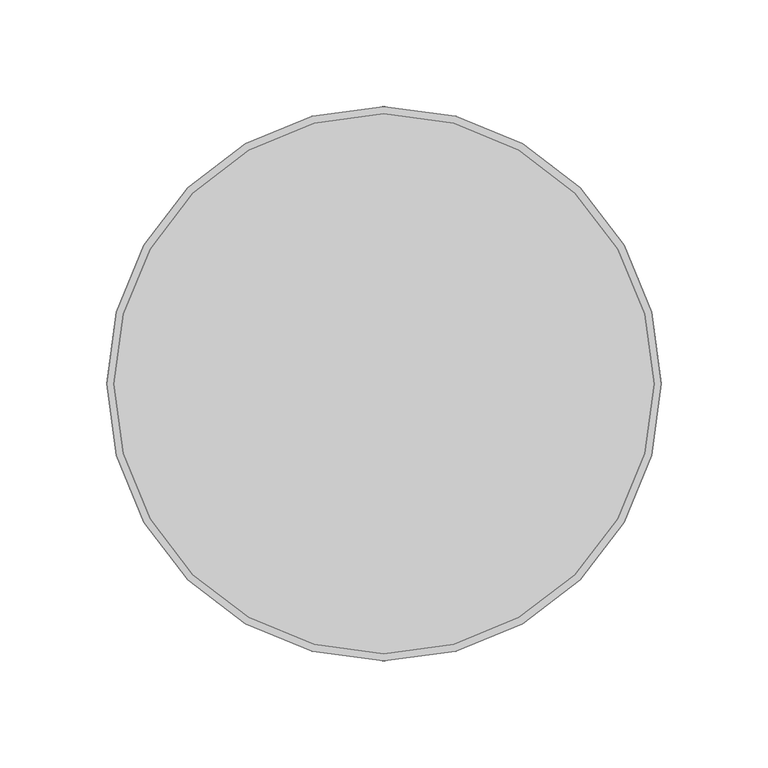
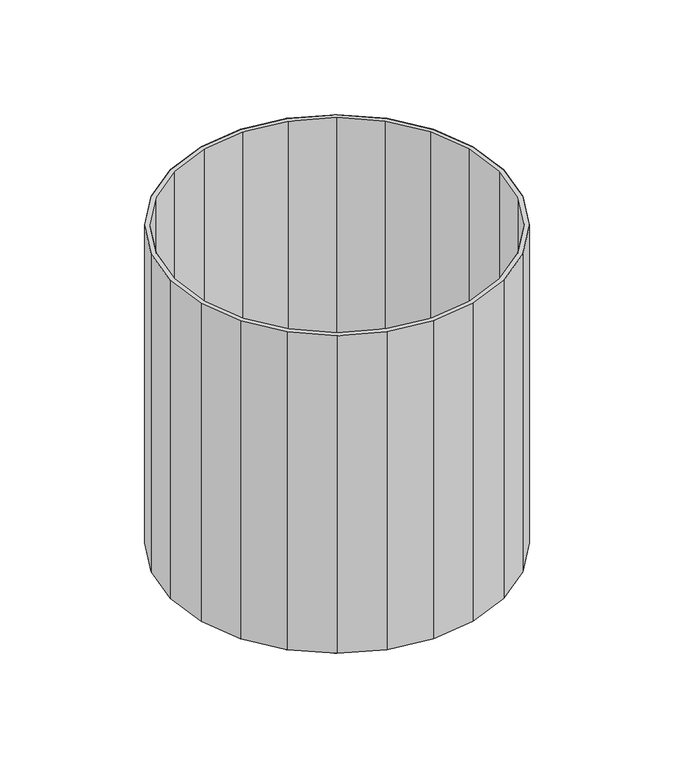
"""IFC4 building model written with IfcOpenShell, lengths in millimetres: furniture geometry."""

from ifc_helpers import new_model, si_unit, origin, place, context, project, spatial, triangles, source, transform, mapped, element, save


def furniture_6e221a47(model_context):
    return source(origin(), model_context, "Body", "Tessellation", [
        triangles([(130.0000137, 2.27e-05, 1.9476282), (125.5704331, 33.6464973, 1.9476282), (125.5704331, 33.6464973, 263.8991535), (130.0000137, 2.27e-05, 263.8991535), (112.5832262, 65.0000205, 1.9476282), (112.5832262, 65.0000205, 263.8991535), (91.9238313, 91.923904, 1.9476282), (91.9238313, 91.923904, 263.8991535), (64.9998842, 112.583317, 1.9476282), (64.9998842, 112.583317, 263.8991535), (33.6463747, 125.5703604, 1.9476282), (33.6463747, 125.5703604, 263.8991535), (-2.27e-05, 129.9999955, 1.9476282), (-2.27e-05, 129.9999955, 263.8991535), (-33.6464201, 125.5703604, 1.9476282), (-33.6464201, 125.5703604, 263.8991535), (-64.9999296, 112.5832988, 1.9476282), (-64.9999296, 112.5832988, 263.8991535), (-91.9238585, 91.9238949, 1.9476282), (-91.9238585, 91.9238949, 263.8991535), (-112.5832534, 65.0000069, 1.9476282), (-112.5832534, 65.0000069, 263.8991535), (-125.5704331, 33.6464973, 1.9476282), (-125.5704331, 33.6464973, 263.8991535), (-130.0000137, 2.79e-05, 1.9476282), (-130.0000137, 2.79e-05, 263.8991535), (-125.5704331, -33.6464451, 1.9476282), (-125.5704331, -33.6464451, 263.8991535), (-112.5832262, -64.999966, 1.9476282), (-112.5832262, -64.999966, 263.8991535), (-91.9238313, -91.9238495, 1.9476282), (-91.9238313, -91.9238495, 263.8991535), (-65.0000795, -112.5832807, 1.9476282), (-65.0000795, -112.5832807, 263.8991535), (-33.6465677, -125.5703422, 1.9476282), (-33.6465677, -125.5703422, 263.8991535), (2.27e-05, -129.9999955, 1.9476282), (2.27e-05, -129.9999955, 263.8991535), (33.6464201, -125.5703695, 1.9476282), (33.6464201, -125.5703695, 263.8991535), (64.9999296, -112.5833261, 1.9476282), (64.9999296, -112.5833261, 263.8991535), (91.9238585, -91.9239312, 1.9476282), (91.9238585, -91.9239312, 263.8991535), (112.5832534, -65.0000568, 1.9476282), (112.5832534, -65.0000568, 263.8991535), (125.5704331, -33.6465473, 1.9476282), (125.5704331, -33.6465473, 263.8991535), (122.2962052, 32.7691958, 263.8991535), (126.6102951, 2.27e-05, 263.8991535), (109.6477585, 63.3051975, 263.8991535), (89.5270753, 89.5270572, 263.8991535), (63.3052202, 109.6477767, 263.8991535), (32.7691026, 122.2962143, 263.8991535), (-2.21e-05, 126.6103496, 263.8991535), (-32.7691481, 122.2962052, 263.8991535), (-63.3052656, 109.6477767, 263.8991535), (-89.5271117, 89.5270481, 263.8991535), (-109.6477767, 63.3051839, 263.8991535), (-122.2962234, 32.7691889, 263.8991535), (-126.6102951, 2.73e-05, 263.8991535), (-122.2962052, -32.769139, 263.8991535), (-109.6477585, -63.3051476, 263.8991535), (-89.5270753, -89.5270027, 263.8991535), (-63.3052202, -109.6477585, 263.8991535), (-32.7691026, -122.2961962, 263.8991535), (2.21e-05, -126.6103496, 263.8991535), (32.7691481, -122.2962234, 263.8991535), (63.3050703, -109.647804, 263.8991535), (89.5269118, -89.5270844, 263.8991535), (109.6477767, -63.3052293, 263.8991535), (122.2962234, -32.7692366, 263.8991535), (122.2962052, 32.7692026, 34.9458934), (126.6102951, 3.27e-05, 34.9458934), (109.6477585, 63.3052066, 34.9458934), (89.5270753, 89.5270572, 34.9458934), (63.3052202, 109.6477949, 34.9458934), (32.7691026, 122.2962234, 34.9458934), (-2.21e-05, 126.6103496, 34.9458934), (-32.7691481, 122.2962234, 34.9458934), (-63.3052656, 109.6477949, 34.9458934), (-89.5271117, 89.5270572, 34.9458934), (-109.6477767, 63.305193, 34.9458934), (-122.2962234, 32.7691958, 34.9458934), (-126.6102951, 3.73e-05, 34.9458934), (-122.2962052, -32.7691322, 34.9458934), (-109.6477585, -63.3051385, 34.9458934), (-89.5270753, -89.5269936, 34.9458934), (-63.3052202, -109.6477404, 34.9458934), (-32.7691026, -122.2961962, 34.9458934), (2.21e-05, -126.6103405, 34.9458934), (32.7691481, -122.2962052, 34.9458934), (63.3050703, -109.6477949, 34.9458934), (89.5269118, -89.5270753, 34.9458934), (109.6477767, -63.3052202, 34.9458934), (122.2962234, -32.7692321, 34.9458934), (126.6102951, 2.27e-05, 1.9476282), (122.2962052, 32.7691958, 1.9476282), (122.2962234, -32.7692366, 1.9476282), (109.6477767, -63.3052293, 1.9476282), (89.5269118, -89.5270844, 1.9476282), (63.3050703, -109.647804, 1.9476282), (32.7691481, -122.2962234, 1.9476282), (2.21e-05, -126.6103496, 1.9476282), (-32.7691026, -122.2961962, 1.9476282), (-63.3052202, -109.6477585, 1.9476282), (-89.5270753, -89.5270027, 1.9476282), (-109.6477585, -63.3051476, 1.9476282), (-122.2962052, -32.769139, 1.9476282), (-126.6102951, 2.73e-05, 1.9476282), (-122.2962234, 32.7691889, 1.9476282), (-109.6477767, 63.3051839, 1.9476282), (-89.5271117, 89.5270481, 1.9476282), (-63.3052656, 109.6477767, 1.9476282), (-32.7691481, 122.2962052, 1.9476282), (-2.21e-05, 126.6103496, 1.9476282), (32.7691026, 122.2962143, 1.9476282), (63.3052202, 109.6477767, 1.9476282), (89.5270753, 89.5270572, 1.9476282), (109.6477585, 63.3051975, 1.9476282), (126.6102951, 2.27e-05, 25.8692535), (122.2962052, 32.7691958, 25.8692535), (122.2962234, -32.7692366, 25.8692535), (109.6477767, -63.3052293, 25.8692535), (89.5269118, -89.5270844, 25.8692535), (63.3050703, -109.647804, 25.8692535), (32.7691481, -122.2962234, 25.8692535), (2.21e-05, -126.6103496, 25.8692535), (-32.7691026, -122.2961962, 25.8692535), (-63.3052202, -109.6477585, 25.8692535), (-89.5270753, -89.5270027, 25.8692535), (-109.6477585, -63.3051476, 25.8692535), (-122.2962052, -32.769139, 25.8692535), (-126.6102951, 2.73e-05, 25.8692535), (-122.2962234, 32.7691889, 25.8692535), (-109.6477767, 63.3051839, 25.8692535), (-89.5271117, 89.5270481, 25.8692535), (-63.3052656, 109.6477767, 25.8692535), (-32.7691481, 122.2962052, 25.8692535), (-2.21e-05, 126.6103496, 25.8692535), (32.7691026, 122.2962143, 25.8692535), (63.3052202, 109.6477767, 25.8692535), (89.5270753, 89.5270572, 25.8692535), (109.6477585, 63.3051975, 25.8692535), (18.9343094, 2.33e-05, 25.8692535), (18.289193, 4.9005503, 25.8692535), (18.289193, -4.9005991, 25.8692535), (16.3976433, -9.4671638, 25.8692535), (13.3885269, -13.3885621, 25.8692535), (9.4670604, -16.3975729, 25.8692535), (4.9004793, -18.2891248, 25.8692535), (3.3e-06, -18.9342969, 25.8692535), (-4.9004725, -18.2891248, 25.8692535), (-9.4670553, -16.3975695, 25.8692535), (-13.3885212, -13.3885519, 25.8692535), (-16.3976399, -9.4671462, 25.8692535), (-18.289193, -4.9005406, 25.8692535), (-18.9343094, 8.1e-06, 25.8692535), (-18.289193, 4.9005531, 25.8692535), (-16.3976433, 9.4671405, 25.8692535), (-13.3885269, 13.3885621, 25.8692535), (-9.4670604, 16.3975808, 25.8692535), (-4.9004793, 18.2891248, 25.8692535), (-3.3e-06, 18.9342969, 25.8692535), (4.9004725, 18.2891169, 25.8692535), (9.4670553, 16.3975933, 25.8692535), (13.3885212, 13.3885746, 25.8692535), (16.3976399, 9.4671428, 25.8692535), (0.0, 9.7e-06, 34.9458979)], [[1, 2, 3], [1, 3, 4], [2, 5, 6], [2, 6, 3], [5, 7, 8], [5, 8, 6], [7, 9, 10], [7, 10, 8], [9, 11, 12], [9, 12, 10], [11, 13, 14], [11, 14, 12], [13, 15, 16], [13, 16, 14], [15, 17, 18], [15, 18, 16], [17, 19, 20], [17, 20, 18], [19, 21, 22], [19, 22, 20], [21, 23, 24], [21, 24, 22], [23, 25, 26], [23, 26, 24], [25, 27, 28], [25, 28, 26], [27, 29, 30], [27, 30, 28], [29, 31, 32], [29, 32, 30], [31, 33, 34], [31, 34, 32], [33, 35, 36], [33, 36, 34], [35, 37, 38], [35, 38, 36], [37, 39, 40], [37, 40, 38], [39, 41, 42], [39, 42, 40], [41, 43, 44], [41, 44, 42], [43, 45, 46], [43, 46, 44], [45, 47, 48], [45, 48, 46], [47, 1, 4], [47, 4, 48], [4, 3, 49], [4, 49, 50], [3, 6, 51], [3, 51, 49], [6, 8, 52], [6, 52, 51], [8, 10, 53], [8, 53, 52], [10, 12, 54], [10, 54, 53], [12, 14, 55], [12, 55, 54], [14, 16, 56], [14, 56, 55], [16, 18, 57], [16, 57, 56], [18, 20, 58], [18, 58, 57], [20, 22, 59], [20, 59, 58], [22, 24, 60], [22, 60, 59], [24, 26, 61], [24, 61, 60], [26, 28, 62], [26, 62, 61], [28, 30, 63], [28, 63, 62], [30, 32, 64], [30, 64, 63], [32, 34, 65], [32, 65, 64], [34, 36, 66], [34, 66, 65], [36, 38, 67], [36, 67, 66], [38, 40, 68], [38, 68, 67], [40, 42, 69], [40, 69, 68], [42, 44, 70], [42, 70, 69], [44, 46, 71], [44, 71, 70], [46, 48, 72], [46, 72, 71], [48, 4, 50], [48, 50, 72], [50, 49, 73], [50, 73, 74], [49, 51, 75], [49, 75, 73], [51, 52, 76], [51, 76, 75], [52, 53, 77], [52, 77, 76], [53, 54, 78], [53, 78, 77], [54, 55, 79], [54, 79, 78], [55, 56, 80], [55, 80, 79], [56, 57, 81], [56, 81, 80], [57, 58, 82], [57, 82, 81], [58, 59, 83], [58, 83, 82], [59, 60, 84], [59, 84, 83], [60, 61, 85], [60, 85, 84], [61, 62, 86], [61, 86, 85], [62, 63, 87], [62, 87, 86], [63, 64, 88], [63, 88, 87], [64, 65, 89], [64, 89, 88], [65, 66, 90], [65, 90, 89], [66, 67, 91], [66, 91, 90], [67, 68, 92], [67, 92, 91], [68, 69, 93], [68, 93, 92], [69, 70, 94], [69, 94, 93], [70, 71, 95], [70, 95, 94], [71, 72, 96], [71, 96, 95], [72, 50, 74], [72, 74, 96], [2, 1, 97], [2, 97, 98], [1, 47, 99], [1, 99, 97], [47, 45, 100], [47, 100, 99], [45, 43, 101], [45, 101, 100], [43, 41, 102], [43, 102, 101], [41, 39, 103], [41, 103, 102], [39, 37, 104], [39, 104, 103], [37, 35, 105], [37, 105, 104], [35, 33, 106], [35, 106, 105], [33, 31, 107], [33, 107, 106], [31, 29, 108], [31, 108, 107], [29, 27, 109], [29, 109, 108], [27, 25, 110], [27, 110, 109], [25, 23, 111], [25, 111, 110], [23, 21, 112], [23, 112, 111], [21, 19, 113], [21, 113, 112], [19, 17, 114], [19, 114, 113], [17, 15, 115], [17, 115, 114], [15, 13, 116], [15, 116, 115], [13, 11, 117], [13, 117, 116], [11, 9, 118], [11, 118, 117], [9, 7, 119], [9, 119, 118], [7, 5, 120], [7, 120, 119], [5, 2, 98], [5, 98, 120], [98, 97, 121], [98, 121, 122], [97, 99, 123], [97, 123, 121], [99, 100, 124], [99, 124, 123], [100, 101, 125], [100, 125, 124], [101, 102, 126], [101, 126, 125], [102, 103, 127], [102, 127, 126], [103, 104, 128], [103, 128, 127], [104, 105, 129], [104, 129, 128], [105, 106, 130], [105, 130, 129], [106, 107, 131], [106, 131, 130], [107, 108, 132], [107, 132, 131], [108, 109, 133], [108, 133, 132], [109, 110, 134], [109, 134, 133], [110, 111, 135], [110, 135, 134], [111, 112, 136], [111, 136, 135], [112, 113, 137], [112, 137, 136], [113, 114, 138], [113, 138, 137], [114, 115, 139], [114, 139, 138], [115, 116, 140], [115, 140, 139], [116, 117, 141], [116, 141, 140], [117, 118, 142], [117, 142, 141], [118, 119, 143], [118, 143, 142], [119, 120, 144], [119, 144, 143], [120, 98, 122], [120, 122, 144], [122, 121, 145], [122, 145, 146], [121, 123, 147], [121, 147, 145], [123, 124, 148], [123, 148, 147], [124, 125, 149], [124, 149, 148], [125, 126, 150], [125, 150, 149], [126, 127, 151], [126, 151, 150], [127, 128, 152], [127, 152, 151], [128, 129, 153], [128, 153, 152], [129, 130, 154], [129, 154, 153], [130, 131, 155], [130, 155, 154], [131, 132, 156], [131, 156, 155], [132, 133, 157], [132, 157, 156], [133, 134, 158], [133, 158, 157], [134, 135, 159], [134, 159, 158], [135, 136, 160], [135, 160, 159], [136, 137, 161], [136, 161, 160], [137, 138, 162], [137, 162, 161], [138, 139, 163], [138, 163, 162], [139, 140, 164], [139, 164, 163], [140, 141, 165], [140, 165, 164], [141, 142, 166], [141, 166, 165], [142, 143, 167], [142, 167, 166], [143, 144, 168], [143, 168, 167], [144, 122, 146], [144, 146, 168], [74, 73, 75], [74, 75, 169], [75, 76, 77], [75, 77, 169], [77, 78, 79], [77, 79, 169], [79, 80, 81], [79, 81, 169], [81, 82, 83], [81, 83, 169], [83, 84, 85], [83, 85, 169], [85, 86, 87], [85, 87, 169], [87, 88, 89], [87, 89, 169], [89, 90, 91], [89, 91, 169], [91, 92, 93], [91, 93, 169], [93, 94, 95], [93, 95, 169], [95, 96, 74], [95, 74, 169]], closed=False),
    ])


if __name__ == "__main__":
    model = new_model("IFC4")
    model_context = context("Model", 3, world=origin())
    ifc_project = project(units=[si_unit("LENGTHUNIT", "METRE", prefix="MILLI")], contexts=[model_context])
    site = spatial("IfcSite", under=ifc_project)
    building = spatial("IfcBuilding", under=site)
    placement = place(None, origin())
    furniture_shape = furniture_6e221a47(model_context)
    element("IfcFurniture", 1, at=placement, inside=building, context=model_context, shape_type="MappedRepresentation", body=[
        mapped(furniture_shape, transform((0.0, 0.0, 0.0), x_axis=(1.0, 0.0, 0.0), y_axis=(0.0, 1.0, 0.0), z_axis=(0.0, 0.0, 1.0))),
    ])
    save(model, "model.ifc")
